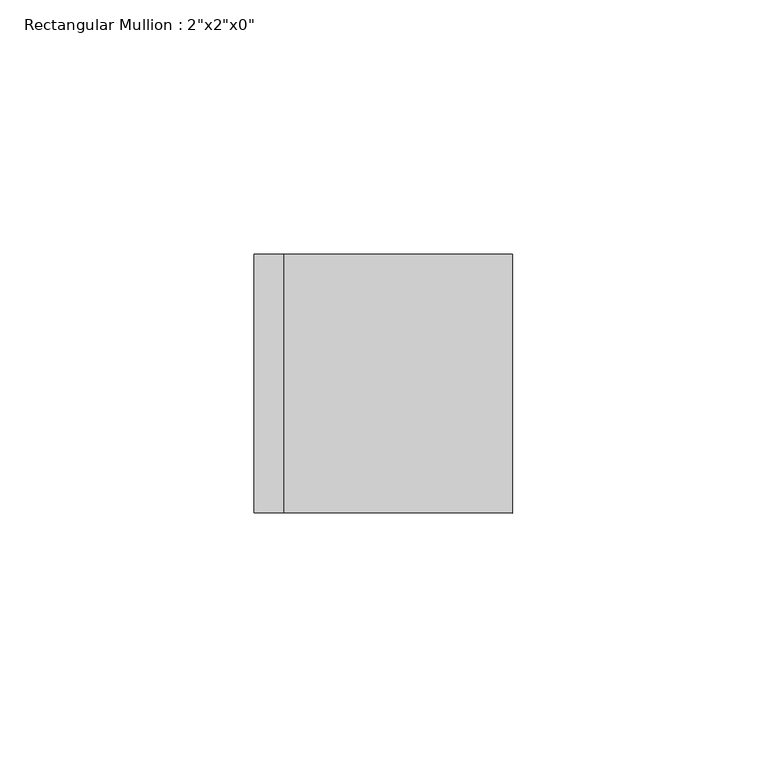
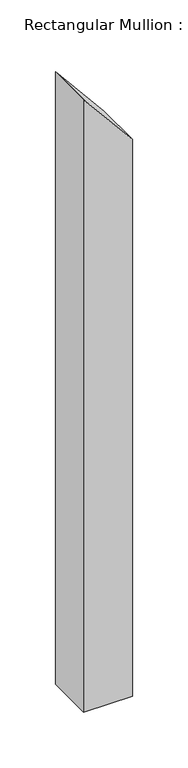
"""IFC4 building model written with IfcOpenShell, lengths in millimetres: member geometry."""

from ifc_helpers import new_model, si_unit, frame, origin, place, context, project, spatial, polyline, outline, extrude, source, transform, mapped, element, save


def member_c4baf121(model_context):
    return source(origin(), model_context, "Body", "SweptSolid", [
        extrude(outline(polyline([(-70.2391876, 25.4), (-16.2458946, -19.5251353), (-9.185186, -25.4), (-681.8480192, -25.4), (-681.8480192, 25.4), (-70.2391876, 25.4)])), frame((0.0, -25.4, 0.0), z_axis=(0.0, 1.0, 0.0), x_axis=(0.0, 0.0, 1.0)), (0.0, 0.0, 1.0), 50.8),
    ])


if __name__ == "__main__":
    model = new_model("IFC4")
    model_context = context("Model", 3, world=origin())
    ifc_project = project(units=[si_unit("LENGTHUNIT", "METRE", prefix="MILLI")], contexts=[model_context])
    site = spatial("IfcSite", under=ifc_project)
    building = spatial("IfcBuilding", under=site)
    placement = place(None, origin())
    member_shape = member_c4baf121(model_context)
    element("IfcMember", 1, ObjectType="Rectangular Mullion : 2\"x2\"x0\"", at=placement, inside=building, context=model_context, shape_type="MappedRepresentation", body=[
        mapped(member_shape, transform((0.0, 0.0, 0.0), x_axis=(1.0, 0.0, 0.0), y_axis=(0.0, 1.0, 0.0), z_axis=(0.0, 0.0, 1.0))),
    ])
    save(model, "model.ifc")
